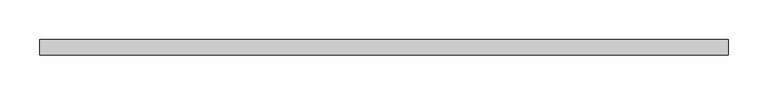
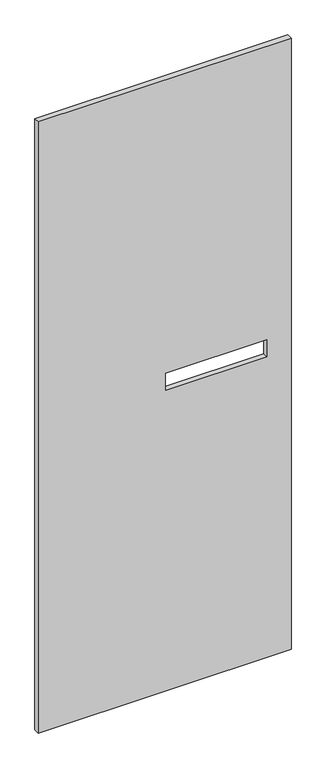
"""IFC4 building model written with IfcOpenShell, lengths in millimetres: proxy geometry."""

import ifcopenshell
import ifcopenshell.guid

model = None  # the IFC model being written
_history = None  # IfcOwnerHistory: only IFC2X3 demands one
_inside = {}  # id of a spatial element -> (the spatial element, [elements in it])
_under = {}  # id of a project, library or spatial element -> (it, [spatial elements below it])
_declared = {}  # id of a project -> (the project, [libraries it declares])
_typed = {}  # id of a type object -> (the type object, [elements of that type])
_made_of = {}  # id of a material, layer set ... -> (it, [elements and type objects made of it])


def new_model(schema):
    """Start an empty IFC model of exactly this schema.

    Asked for "IFC4X3", IfcOpenShell would pick the latest addendum, in which some entities
    have other attributes; the version numbers below select the first issue.
    IFC2X3 requires an IfcOwnerHistory on every rooted entity: one is made here for all.
    """
    global model, _history
    if schema == "IFC4X3":
        model = ifcopenshell.file(schema_version=(4, 3, 0, 0))
    else:
        model = ifcopenshell.file(schema=schema)
    _inside.clear()
    _under.clear()
    _declared.clear()
    _typed.clear()
    _made_of.clear()
    _history = None
    if model.schema == "IFC2X3":
        org = make("IfcOrganization", Name="unknown")
        user = make(
            "IfcPersonAndOrganization",
            ThePerson=make("IfcPerson", FamilyName="unknown"),
            TheOrganization=org,
        )
        app = make(
            "IfcApplication",
            ApplicationDeveloper=org,
            Version="unknown",
            ApplicationFullName="unknown",
            ApplicationIdentifier="unknown",
        )
        _history = make(
            "IfcOwnerHistory",
            OwningUser=user,
            OwningApplication=app,
            ChangeAction="ADDED",
            CreationDate=0,
        )
    return model


def make(cls, **values):
    """One entity of the class cls with the attributes given. An attribute that is None is left unset."""
    return model.create_entity(
        cls, **{name: value for name, value in values.items() if value is not None}
    )


def rooted(cls, **values):
    """An entity with a GlobalId (a new one), such as an element, a storey or a relation."""
    return make(cls, GlobalId=ifcopenshell.guid.new(), OwnerHistory=_history, **values)


def si_unit(unit_type, name, prefix=None):
    """IfcSIUnit, for example si_unit("LENGTHUNIT", "METRE", prefix="MILLI")."""
    return make("IfcSIUnit", UnitType=unit_type, Prefix=prefix, Name=name)


def assignment(units):
    """IfcUnitAssignment: the units of a project."""
    return None if units is None else make("IfcUnitAssignment", Units=units)


def point(xyz):
    """IfcCartesianPoint."""
    return None if xyz is None else make("IfcCartesianPoint", Coordinates=xyz)


def direction(xyz):
    """IfcDirection."""
    return None if xyz is None else make("IfcDirection", DirectionRatios=xyz)


def frame(location, z_axis=None, x_axis=None):
    """IfcAxis2Placement3D, a coordinate frame: its origin and axes. An axis left out is left unset."""
    return make(
        "IfcAxis2Placement3D",
        Location=point(location),
        Axis=direction(z_axis),
        RefDirection=direction(x_axis),
    )


def origin():
    """The frame at (0, 0, 0) with its axes left unset."""
    return frame((0.0, 0.0, 0.0))


def place(relative_to, where):
    """IfcLocalPlacement: puts the frame where relative to a parent placement (None: the world)."""
    return make(
        "IfcLocalPlacement", PlacementRelTo=relative_to, RelativePlacement=where
    )


def context(
    kind, dimensions, precision=None, world=None, true_north=None, identifier=None
):
    """IfcGeometricRepresentationContext, for example the 3D "Model" context."""
    return make(
        "IfcGeometricRepresentationContext",
        ContextIdentifier=identifier,
        ContextType=kind,
        CoordinateSpaceDimension=dimensions,
        Precision=precision,
        WorldCoordinateSystem=world,
        TrueNorth=true_north,
    )


def project(units=None, contexts=None):
    """IfcProject with its units and contexts."""
    return rooted(
        "IfcProject",
        Name="project",
        RepresentationContexts=contexts,
        UnitsInContext=assignment(units),
    )


def spatial(cls, under=None, at=None, **own):
    """A site, building, storey or space (cls), placed at a placement, below another one or the project."""
    s = rooted(cls, ObjectPlacement=at, **own)
    if under is not None:
        _under.setdefault(under.id(), (under, []))[1].append(s)
    return s


def polyline(points):
    """IfcPolyline through the points."""
    return make("IfcPolyline", Points=[point(p) for p in points])


def outline(outer, holes=None, kind="AREA"):
    """IfcArbitraryClosedProfileDef: a profile drawn as a closed curve; with holes, ...WithVoids."""
    if holes is None:
        return make("IfcArbitraryClosedProfileDef", ProfileType=kind, OuterCurve=outer)
    return make(
        "IfcArbitraryProfileDefWithVoids",
        ProfileType=kind,
        OuterCurve=outer,
        InnerCurves=holes,
    )


def extrude(swept, where, along, depth):
    """IfcExtrudedAreaSolid: the profile swept, set in the frame where, extruded along a direction by depth."""
    return make(
        "IfcExtrudedAreaSolid",
        SweptArea=swept,
        Position=where,
        ExtrudedDirection=direction(along),
        Depth=depth,
    )


def shape(context_of_items, identifier, shape_type, items):
    """IfcShapeRepresentation: the items that make up one representation, for example the "Body"."""
    return make(
        "IfcShapeRepresentation",
        ContextOfItems=context_of_items,
        RepresentationIdentifier=identifier,
        RepresentationType=shape_type,
        Items=items,
    )


def source(mapping_origin, context_of_items, identifier, shape_type, items):
    """IfcRepresentationMap: a shape defined once, which mapped items show again and again."""
    return make(
        "IfcRepresentationMap",
        MappingOrigin=mapping_origin,
        MappedRepresentation=shape(context_of_items, identifier, shape_type, items),
    )


def transform(
    local_origin,
    x_axis=None,
    y_axis=None,
    z_axis=None,
    scale=None,
    scale2=None,
    scale3=None,
    uniform=True,
):
    """IfcCartesianTransformationOperator3D, or its non-uniform kind. x_axis, y_axis, z_axis: its Axis1, 2, 3."""
    if uniform:
        return make(
            "IfcCartesianTransformationOperator3D",
            Axis1=direction(x_axis),
            Axis2=direction(y_axis),
            LocalOrigin=point(local_origin),
            Scale=scale,
            Axis3=direction(z_axis),
        )
    return make(
        "IfcCartesianTransformationOperator3DnonUniform",
        Axis1=direction(x_axis),
        Axis2=direction(y_axis),
        LocalOrigin=point(local_origin),
        Scale=scale,
        Axis3=direction(z_axis),
        Scale2=scale2,
        Scale3=scale3,
    )


def mapped(mapping_source, mapping_target):
    """IfcMappedItem: shows the shape of a source again, moved by a transform."""
    return make(
        "IfcMappedItem", MappingSource=mapping_source, MappingTarget=mapping_target
    )


def made_of(thing, what):
    """Note that an element or type object is made of a material, layer set ...; save() writes the relation."""
    if what is not None:
        _made_of.setdefault(what.id(), (what, []))[1].append(thing)
    return thing


def element(
    cls,
    number,
    at=None,
    inside=None,
    cuts=None,
    type_object=None,
    material=None,
    context=None,
    identifier="Body",
    shape_type=None,
    held_by="IfcProductDefinitionShape",
    body=None,
    shapes=None,
    **own,
):
    """One element of the class cls, such as IfcWall. Its Tag is "e" and its number.

    at: its placement. inside: the storey or other place that contains it. cuts: it is an
    opening in that element (IfcRelVoidsElement). A single representation is given by context,
    identifier, shape_type and body (its items); several are given by shapes. held_by: the class
    of the entity that holds the representations. save() writes the other relations.
    """
    e = rooted(cls, Tag="e%d" % number, ObjectPlacement=at, **own)
    if body is not None:
        shapes = [shape(context, identifier, shape_type, body)]
    if shapes is not None:
        e.Representation = make(held_by, Representations=shapes)
    if inside is not None:
        _inside.setdefault(inside.id(), (inside, []))[1].append(e)
    if cuts is not None:
        rooted(
            "IfcRelVoidsElement", RelatingBuildingElement=cuts, RelatedOpeningElement=e
        )
    if type_object is not None:
        _typed.setdefault(type_object.id(), (type_object, []))[1].append(e)
    return made_of(e, material)


def aggregate(whole, parts):
    """IfcRelAggregates: a whole, such as a stair, and the parts it consists of."""
    return rooted("IfcRelAggregates", RelatingObject=whole, RelatedObjects=parts)


def save(model, path):
    """Write the relations noted so far, then the file.

    IfcRelAggregates (storeys below a building ...), IfcRelContainedInSpatialStructure (elements
    in a storey), IfcRelDefinesByType, IfcRelAssociatesMaterial and IfcRelDeclares: one each for
    every whole, place, type object, material and project.
    """
    for whole, parts in _under.values():
        aggregate(whole, parts)
    for where, things in _inside.values():
        rooted(
            "IfcRelContainedInSpatialStructure",
            RelatedElements=things,
            RelatingStructure=where,
        )
    for kind, things in _typed.values():
        rooted("IfcRelDefinesByType", RelatedObjects=things, RelatingType=kind)
    for what, things in _made_of.values():
        rooted("IfcRelAssociatesMaterial", RelatedObjects=things, RelatingMaterial=what)
    for by, libraries in _declared.values():
        rooted("IfcRelDeclares", RelatingContext=by, RelatedDefinitions=libraries)
    model.write(path)


def specialty_equipment_56466806(model_context):
    return source(origin(), model_context, "Body", "SweptSolid", [
        extrude(outline(polyline([(2206.625, 431.199949), (2206.625, -431.199949), (3.175, -431.199949), (3.175, 431.199949), (2206.625, 431.199949)]), holes=[polyline([(1148.715, 348.488), (1086.485, 348.488), (1086.485, 4.064), (1148.715, 4.064), (1148.715, 348.488)])]), frame((0.0, -9.525, 0.0), z_axis=(0.0, 1.0, 0.0), x_axis=(0.0, 0.0, 1.0)), (0.0, 0.0, 1.0), 19.05),
    ])


if __name__ == "__main__":
    model = new_model("IFC4")
    model_context = context("Model", 3, world=origin())
    ifc_project = project(units=[si_unit("LENGTHUNIT", "METRE", prefix="MILLI")], contexts=[model_context])
    site = spatial("IfcSite", under=ifc_project)
    building = spatial("IfcBuilding", under=site)
    placement = place(None, origin())
    specialty_equipment_shape = specialty_equipment_56466806(model_context)
    element("IfcBuildingElementProxy", 1, Name="Specialty Equipment", at=placement, inside=building, context=model_context, shape_type="MappedRepresentation", body=[
        mapped(specialty_equipment_shape, transform((0.0, 0.0, 0.0), x_axis=(1.0, 0.0, 0.0), y_axis=(0.0, 1.0, 0.0), z_axis=(0.0, 0.0, 1.0))),
    ])
    save(model, "model.ifc")
